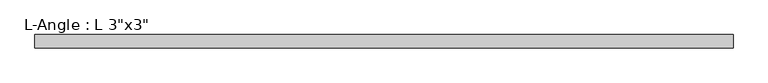
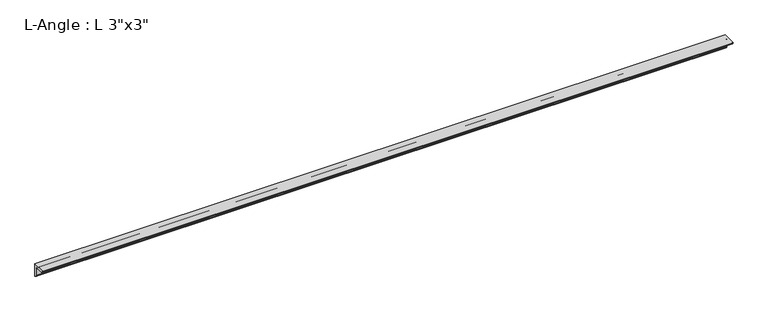
"""IFC4 building model written with IfcOpenShell, lengths in millimetres: beam geometry."""

from ifc_helpers import new_model, si_unit, point, frame, frame_2d, origin, place, context, project, spatial, polyline, circle_curve, trimmed, segment, composite_curve, outline, extrude, source, transform, mapped, element, save


def beam_43a14da4(model_context):
    return source(origin(), model_context, "Body", "SweptSolid", [
        extrude(outline(composite_curve([segment(polyline([(24.9039062, 50.3039062), (24.9039062, -25.8960938)]), True, "CONTINUOUS"), segment(trimmed(circle_curve(frame_2d((24.9039062, -13.1960938)), 12.7), [point((24.9039062, -25.8960938))], [point((12.2039062, -13.1960938))], False, "CARTESIAN"), True, "CONTINUOUS"), segment(polyline([(12.2039062, -13.1960938), (12.2039062, 24.9039062)]), True, "CONTINUOUS"), segment(trimmed(circle_curve(frame_2d((-0.4960938, 24.9039062)), 12.7), [point((12.2039062, 24.9039062))], [point((-0.4960938, 37.6039062))], True, "CARTESIAN"), True, "CONTINUOUS"), segment(polyline([(-0.4960938, 37.6039062), (-38.5960938, 37.6039062)]), True, "CONTINUOUS"), segment(trimmed(circle_curve(frame_2d((-38.5960938, 50.3039062)), 12.7), [point((-38.5960938, 37.6039062))], [point((-51.2960938, 50.3039062))], False, "CARTESIAN"), True, "CONTINUOUS"), segment(polyline([(-51.2960938, 50.3039062), (24.9039062, 50.3039062)]), True, "CONTINUOUS")], self_intersect=False)), frame((-1983.2449964, 0.0, 0.0), z_axis=(1.0, 0.0, 0.0), x_axis=(0.0, 1.0, 0.0)), (0.0, 0.0, 1.0), 3966.4899928),
    ])


if __name__ == "__main__":
    model = new_model("IFC4")
    model_context = context("Model", 3, world=origin())
    ifc_project = project(units=[si_unit("LENGTHUNIT", "METRE", prefix="MILLI")], contexts=[model_context])
    site = spatial("IfcSite", under=ifc_project)
    building = spatial("IfcBuilding", under=site)
    placement = place(None, origin())
    beam_shape = beam_43a14da4(model_context)
    element("IfcBeam", 1, ObjectType="L-Angle : L 3\"x3\"", at=placement, inside=building, context=model_context, shape_type="MappedRepresentation", body=[
        mapped(beam_shape, transform((0.0, 0.0, 0.0), x_axis=(1.0, 0.0, 0.0), y_axis=(0.0, 1.0, 0.0), z_axis=(0.0, 0.0, 1.0))),
    ])
    save(model, "model.ifc")
